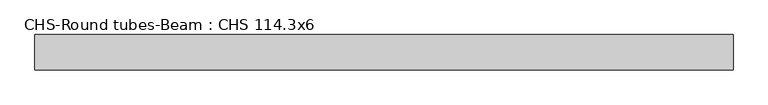
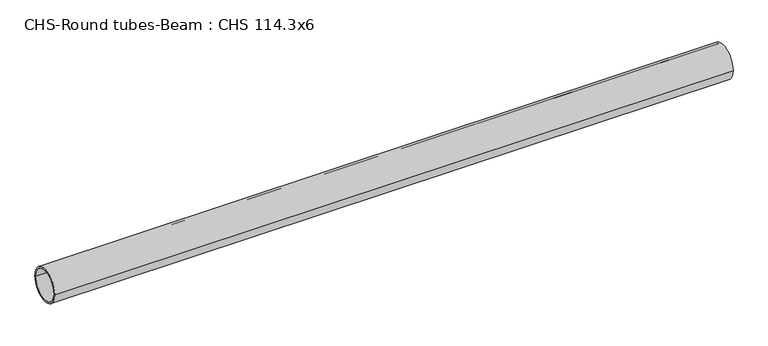
"""IFC4 building model written with IfcOpenShell, lengths in millimetres: beam geometry, CHS-Round tubes-Beam : CHS 114.3x6."""

from ifc_helpers import new_model, si_unit, point, frame, origin, origin_2d, place, context, project, spatial, circle_curve, trimmed, segment, composite_curve, outline, extrude, source, transform, mapped, element, save


def chs_round_tubes_beam_chs_114_3x6_c69dc209(model_context):
    return source(origin(), model_context, "Body", "SweptSolid", [
        extrude(outline(composite_curve([segment(trimmed(circle_curve(origin_2d(), 57.15), [point((57.15, 0.0))], [point((-57.15, 0.0))], False, "CARTESIAN"), True, "CONTINUOUS"), segment(trimmed(circle_curve(origin_2d(), 57.15), [point((-57.15, 0.0))], [point((57.15, 0.0))], False, "CARTESIAN"), True, "CONTINUOUS")], self_intersect=False), holes=[composite_curve([segment(trimmed(circle_curve(origin_2d(), 51.15), [point((51.15, 0.0))], [point((-51.15, 0.0))], True, "CARTESIAN"), True, "CONTINUOUS"), segment(trimmed(circle_curve(origin_2d(), 51.15), [point((-51.15, 0.0))], [point((51.15, 0.0))], True, "CARTESIAN"), True, "CONTINUOUS")], self_intersect=False)]), frame((-1091.7676358, 0.0, 0.0), z_axis=(1.0, 0.0, 0.0), x_axis=(0.0, 1.0, 0.0)), (0.0, 0.0, 1.0), 2267.0233606),
    ])


if __name__ == "__main__":
    model = new_model("IFC4")
    model_context = context("Model", 3, world=origin())
    ifc_project = project(units=[si_unit("LENGTHUNIT", "METRE", prefix="MILLI")], contexts=[model_context])
    site = spatial("IfcSite", under=ifc_project)
    building = spatial("IfcBuilding", under=site)
    placement = place(None, origin())
    chs_round_tubes_beam_chs_114_3x6_shape = chs_round_tubes_beam_chs_114_3x6_c69dc209(model_context)
    element("IfcBeam", 1, ObjectType="CHS-Round tubes-Beam : CHS 114.3x6", at=placement, inside=building, context=model_context, shape_type="MappedRepresentation", body=[
        mapped(chs_round_tubes_beam_chs_114_3x6_shape, transform((0.0, 0.0, 0.0), x_axis=(1.0, 0.0, 0.0), y_axis=(0.0, 1.0, 0.0), z_axis=(0.0, 0.0, 1.0))),
    ])
    save(model, "model.ifc")
